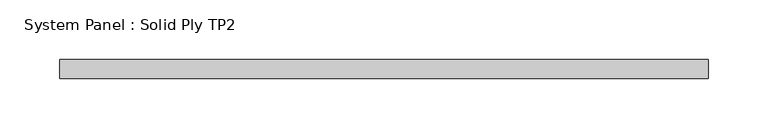
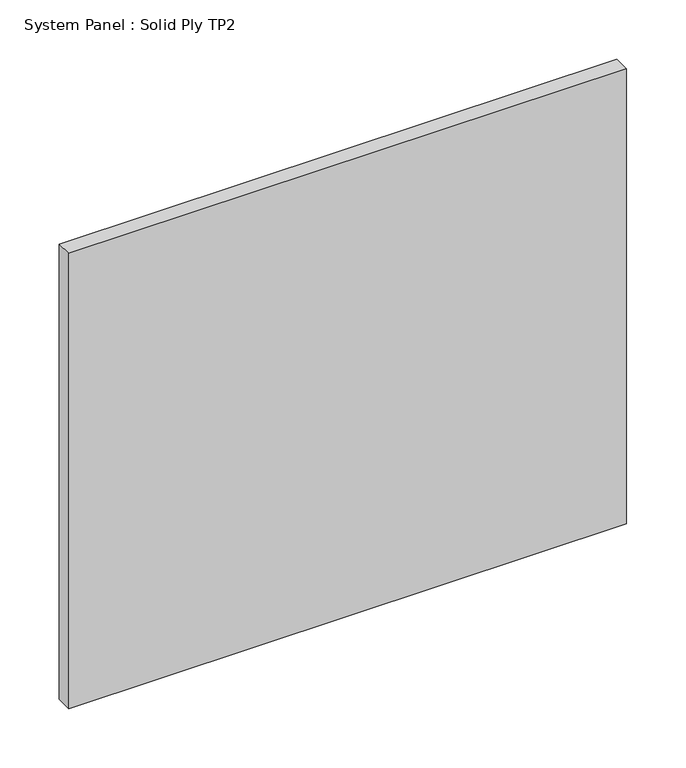
"""IFC4 building model written with IfcOpenShell, lengths in millimetres: plate geometry, System Panel : Solid Ply TP2."""

from ifc_helpers import new_model, si_unit, origin, origin_with_axes, place, context, project, spatial, polyline, outline, extrude, source, transform, mapped, element, save


def system_panel_solid_ply_tp2_1f82870a(model_context):
    return source(origin(), model_context, "Body", "SweptSolid", [
        extrude(outline(polyline([(272.4952418, -23.0), (-272.4952418, -23.0), (-272.4952418, -7.0), (272.4952418, -7.0), (272.4952418, -23.0)])), origin_with_axes(), (0.0, 0.0, 1.0), 470.0),
    ])


if __name__ == "__main__":
    model = new_model("IFC4")
    model_context = context("Model", 3, world=origin())
    ifc_project = project(units=[si_unit("LENGTHUNIT", "METRE", prefix="MILLI")], contexts=[model_context])
    site = spatial("IfcSite", under=ifc_project)
    building = spatial("IfcBuilding", under=site)
    placement = place(None, origin())
    system_panel_solid_ply_tp2_shape = system_panel_solid_ply_tp2_1f82870a(model_context)
    element("IfcPlate", 1, ObjectType="System Panel : Solid Ply TP2", at=placement, inside=building, context=model_context, shape_type="MappedRepresentation", body=[
        mapped(system_panel_solid_ply_tp2_shape, transform((0.0, 0.0, 0.0), x_axis=(1.0, 0.0, 0.0), y_axis=(0.0, 1.0, 0.0), z_axis=(0.0, 0.0, 1.0))),
    ])
    save(model, "model.ifc")
